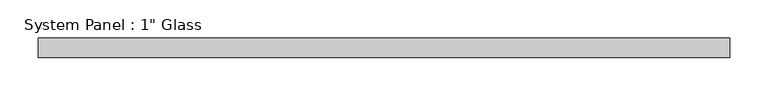
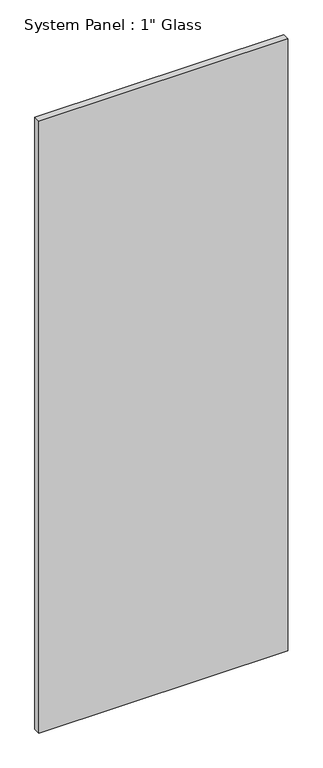
"""IFC4 building model written with IfcOpenShell, lengths in millimetres: plate geometry."""

from ifc_helpers import new_model, si_unit, origin, origin_with_axes, place, context, project, spatial, polyline, outline, extrude, source, transform, mapped, element, save


def plate_b44238ac(model_context):
    return source(origin(), model_context, "Body", "SweptSolid", [
        extrude(outline(polyline([(452.4375, -12.7), (-452.4375, -12.7), (-452.4375, 12.7), (452.4375, 12.7), (452.4375, -12.7)])), origin_with_axes(), (0.0, 0.0, 1.0), 2352.675),
    ])


if __name__ == "__main__":
    model = new_model("IFC4")
    model_context = context("Model", 3, world=origin())
    ifc_project = project(units=[si_unit("LENGTHUNIT", "METRE", prefix="MILLI")], contexts=[model_context])
    site = spatial("IfcSite", under=ifc_project)
    building = spatial("IfcBuilding", under=site)
    placement = place(None, origin())
    plate_shape = plate_b44238ac(model_context)
    element("IfcPlate", 1, ObjectType="System Panel : 1\" Glass", at=placement, inside=building, context=model_context, shape_type="MappedRepresentation", body=[
        mapped(plate_shape, transform((0.0, 0.0, 0.0), x_axis=(1.0, 0.0, 0.0), y_axis=(0.0, 1.0, 0.0), z_axis=(0.0, 0.0, 1.0))),
    ])
    save(model, "model.ifc")
